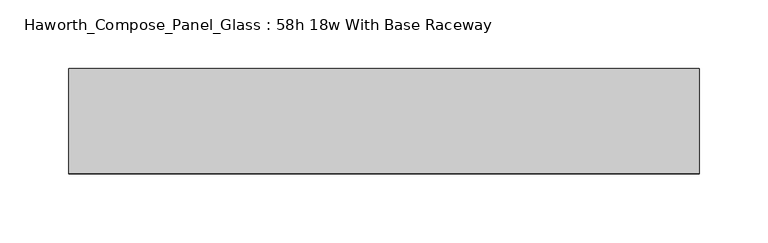
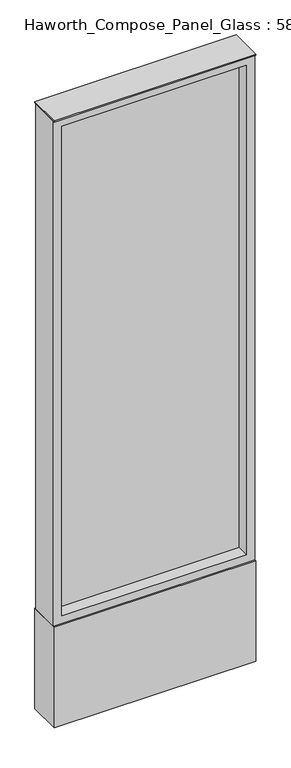
"""IFC4 building model written with IfcOpenShell, lengths in millimetres: furniture geometry, Haworth_Compose_Panel_Glass : 58h 18w With Base Raceway."""

from ifc_helpers import new_model, si_unit, point, frame, frame_2d, origin, origin_with_axes, place, context, project, spatial, polyline, circle_curve, trimmed, segment, composite_curve, outline, extrude, source, transform, mapped, element, save


def haworth_compose_panel_glass_58h_18w_with_base_raceway_2bf65537(model_context):
    return source(origin(), model_context, "Body", "SweptSolid", [
        extrude(outline(composite_curve([segment(trimmed(circle_curve(frame_2d((154.8402902, 0.0)), 12.7), [point((142.1402902, 0.0))], [point((167.5402902, 0.0))], False, "CARTESIAN"), True, "CONTINUOUS"), segment(trimmed(circle_curve(frame_2d((154.8402902, 0.0)), 12.7), [point((167.5402902, 0.0))], [point((142.1402902, 0.0))], False, "CARTESIAN"), True, "CONTINUOUS")], self_intersect=False)), origin_with_axes(), (0.0, 0.0, 1.0), 12.7),
        extrude(outline(composite_curve([segment(trimmed(circle_curve(frame_2d((-149.9597098, 0.0)), 12.7), [point((-162.6597098, 0.0))], [point((-137.2597098, 0.0))], False, "CARTESIAN"), True, "CONTINUOUS"), segment(trimmed(circle_curve(frame_2d((-149.9597098, 0.0)), 12.7), [point((-137.2597098, 0.0))], [point((-162.6597098, 0.0))], False, "CARTESIAN"), True, "CONTINUOUS")], self_intersect=False)), origin_with_axes(), (0.0, 0.0, 1.0), 12.7),
        extrude(outline(polyline([(211.9902902, -6.35), (-207.1097098, -6.35), (-207.1097098, 6.35), (211.9902902, 6.35), (211.9902902, -6.35)])), frame((0.0, 0.0, 273.05), z_axis=(0.0, 0.0, 1.0), x_axis=(1.0, 0.0, 0.0)), (0.0, 0.0, 1.0), 1174.75),
        extrude(outline(polyline([(1466.85, -226.1597098), (254.0, -226.1597098), (254.0, 231.0402902), (1466.85, 231.0402902), (1466.85, -226.1597098)]), holes=[polyline([(1447.8, 211.9902902), (273.05, 211.9902902), (273.05, -207.1097098), (1447.8, -207.1097098), (1447.8, 211.9902902)])]), frame((0.0, -34.925, 0.0), z_axis=(0.0, 1.0, 0.0), x_axis=(0.0, 0.0, 1.0)), (0.0, 0.0, 1.0), 69.85),
        extrude(outline(polyline([(-226.1597098, 38.1), (231.0402902, 38.1), (231.0402902, -38.1), (-226.1597098, -38.1), (-226.1597098, 38.1)])), frame((0.0, 0.0, 12.7), z_axis=(0.0, 0.0, 1.0), x_axis=(1.0, 0.0, 0.0)), (0.0, 0.0, 1.0), 241.3),
        extrude(outline(polyline([(-226.1597098, -38.1), (-226.1597098, 38.1), (231.0402902, 38.1), (231.0402902, -38.1), (-226.1597098, -38.1)])), frame((0.0, 0.0, 1466.85), z_axis=(0.0, 0.0, 1.0), x_axis=(1.0, 0.0, 0.0)), (0.0, 0.0, 1.0), 3.175),
    ])


if __name__ == "__main__":
    model = new_model("IFC4")
    model_context = context("Model", 3, world=origin())
    ifc_project = project(units=[si_unit("LENGTHUNIT", "METRE", prefix="MILLI")], contexts=[model_context])
    site = spatial("IfcSite", under=ifc_project)
    building = spatial("IfcBuilding", under=site)
    placement = place(None, origin())
    haworth_compose_panel_glass_58h_18w_with_base_raceway_shape = haworth_compose_panel_glass_58h_18w_with_base_raceway_2bf65537(model_context)
    element("IfcFurniture", 1, ObjectType="Haworth_Compose_Panel_Glass : 58h 18w With Base Raceway", at=placement, inside=building, context=model_context, shape_type="MappedRepresentation", body=[
        mapped(haworth_compose_panel_glass_58h_18w_with_base_raceway_shape, transform((0.0, 0.0, 0.0), x_axis=(1.0, 0.0, 0.0), y_axis=(0.0, 1.0, 0.0), z_axis=(0.0, 0.0, 1.0))),
    ])
    save(model, "model.ifc")
